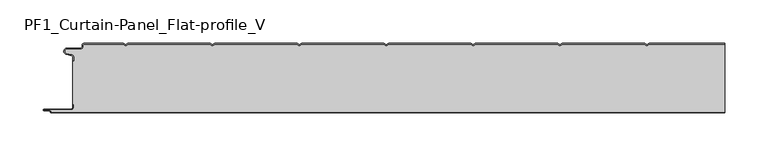
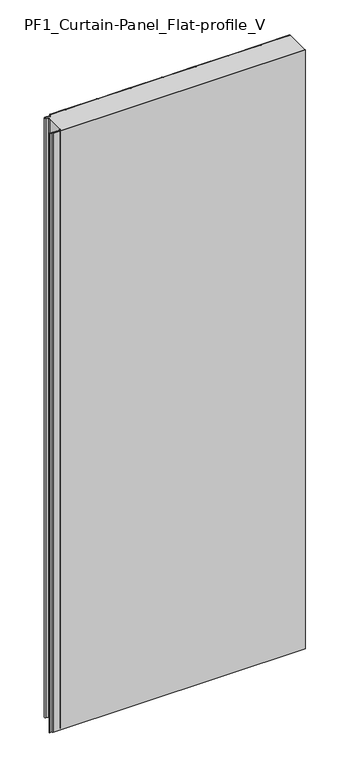
"""IFC4 building model written with IfcOpenShell, lengths in millimetres: plate geometry, PF1_Curtain-Panel_Flat-profile_V."""

import ifcopenshell
import ifcopenshell.guid

model = None  # the IFC model being written
_history = None  # IfcOwnerHistory: only IFC2X3 demands one
_inside = {}  # id of a spatial element -> (the spatial element, [elements in it])
_under = {}  # id of a project, library or spatial element -> (it, [spatial elements below it])
_declared = {}  # id of a project -> (the project, [libraries it declares])
_typed = {}  # id of a type object -> (the type object, [elements of that type])
_made_of = {}  # id of a material, layer set ... -> (it, [elements and type objects made of it])


def new_model(schema):
    """Start an empty IFC model of exactly this schema.

    Asked for "IFC4X3", IfcOpenShell would pick the latest addendum, in which some entities
    have other attributes; the version numbers below select the first issue.
    IFC2X3 requires an IfcOwnerHistory on every rooted entity: one is made here for all.
    """
    global model, _history
    if schema == "IFC4X3":
        model = ifcopenshell.file(schema_version=(4, 3, 0, 0))
    else:
        model = ifcopenshell.file(schema=schema)
    _inside.clear()
    _under.clear()
    _declared.clear()
    _typed.clear()
    _made_of.clear()
    _history = None
    if model.schema == "IFC2X3":
        org = make("IfcOrganization", Name="unknown")
        user = make(
            "IfcPersonAndOrganization",
            ThePerson=make("IfcPerson", FamilyName="unknown"),
            TheOrganization=org,
        )
        app = make(
            "IfcApplication",
            ApplicationDeveloper=org,
            Version="unknown",
            ApplicationFullName="unknown",
            ApplicationIdentifier="unknown",
        )
        _history = make(
            "IfcOwnerHistory",
            OwningUser=user,
            OwningApplication=app,
            ChangeAction="ADDED",
            CreationDate=0,
        )
    return model


def make(cls, **values):
    """One entity of the class cls with the attributes given. An attribute that is None is left unset."""
    return model.create_entity(
        cls, **{name: value for name, value in values.items() if value is not None}
    )


def rooted(cls, **values):
    """An entity with a GlobalId (a new one), such as an element, a storey or a relation."""
    return make(cls, GlobalId=ifcopenshell.guid.new(), OwnerHistory=_history, **values)


def si_unit(unit_type, name, prefix=None):
    """IfcSIUnit, for example si_unit("LENGTHUNIT", "METRE", prefix="MILLI")."""
    return make("IfcSIUnit", UnitType=unit_type, Prefix=prefix, Name=name)


def assignment(units):
    """IfcUnitAssignment: the units of a project."""
    return None if units is None else make("IfcUnitAssignment", Units=units)


def point(xyz):
    """IfcCartesianPoint."""
    return None if xyz is None else make("IfcCartesianPoint", Coordinates=xyz)


def direction(xyz):
    """IfcDirection."""
    return None if xyz is None else make("IfcDirection", DirectionRatios=xyz)


def frame(location, z_axis=None, x_axis=None):
    """IfcAxis2Placement3D, a coordinate frame: its origin and axes. An axis left out is left unset."""
    return make(
        "IfcAxis2Placement3D",
        Location=point(location),
        Axis=direction(z_axis),
        RefDirection=direction(x_axis),
    )


def frame_2d(location, x_axis=None):
    """IfcAxis2Placement2D, a coordinate frame in the plane: its origin and x axis."""
    return make(
        "IfcAxis2Placement2D", Location=point(location), RefDirection=direction(x_axis)
    )


def origin():
    """The frame at (0, 0, 0) with its axes left unset."""
    return frame((0.0, 0.0, 0.0))


def origin_with_axes():
    """The frame at (0, 0, 0) with the z axis (0, 0, 1) and the x axis (1, 0, 0) written out."""
    return frame((0.0, 0.0, 0.0), z_axis=(0.0, 0.0, 1.0), x_axis=(1.0, 0.0, 0.0))


def place(relative_to, where):
    """IfcLocalPlacement: puts the frame where relative to a parent placement (None: the world)."""
    return make(
        "IfcLocalPlacement", PlacementRelTo=relative_to, RelativePlacement=where
    )


def context(
    kind, dimensions, precision=None, world=None, true_north=None, identifier=None
):
    """IfcGeometricRepresentationContext, for example the 3D "Model" context."""
    return make(
        "IfcGeometricRepresentationContext",
        ContextIdentifier=identifier,
        ContextType=kind,
        CoordinateSpaceDimension=dimensions,
        Precision=precision,
        WorldCoordinateSystem=world,
        TrueNorth=true_north,
    )


def project(units=None, contexts=None):
    """IfcProject with its units and contexts."""
    return rooted(
        "IfcProject",
        Name="project",
        RepresentationContexts=contexts,
        UnitsInContext=assignment(units),
    )


def spatial(cls, under=None, at=None, **own):
    """A site, building, storey or space (cls), placed at a placement, below another one or the project."""
    s = rooted(cls, ObjectPlacement=at, **own)
    if under is not None:
        _under.setdefault(under.id(), (under, []))[1].append(s)
    return s


def polyline(points):
    """IfcPolyline through the points."""
    return make("IfcPolyline", Points=[point(p) for p in points])


def circle_curve(where, radius):
    """IfcCircle in the frame where."""
    return make("IfcCircle", Position=where, Radius=radius)


def trimmed(basis, trim1, trim2, sense, master):
    """IfcTrimmedCurve: the piece of a basis curve between two trims."""
    return make(
        "IfcTrimmedCurve",
        BasisCurve=basis,
        Trim1=trim1,
        Trim2=trim2,
        SenseAgreement=sense,
        MasterRepresentation=master,
    )


def segment(curve, same_sense, transition):
    """IfcCompositeCurveSegment."""
    return make(
        "IfcCompositeCurveSegment",
        Transition=transition,
        SameSense=same_sense,
        ParentCurve=curve,
    )


def composite_curve(segments, self_intersect=None):
    """IfcCompositeCurve: segments joined end to end."""
    return make("IfcCompositeCurve", Segments=segments, SelfIntersect=self_intersect)


def outline(outer, holes=None, kind="AREA"):
    """IfcArbitraryClosedProfileDef: a profile drawn as a closed curve; with holes, ...WithVoids."""
    if holes is None:
        return make("IfcArbitraryClosedProfileDef", ProfileType=kind, OuterCurve=outer)
    return make(
        "IfcArbitraryProfileDefWithVoids",
        ProfileType=kind,
        OuterCurve=outer,
        InnerCurves=holes,
    )


def extrude(swept, where, along, depth):
    """IfcExtrudedAreaSolid: the profile swept, set in the frame where, extruded along a direction by depth."""
    return make(
        "IfcExtrudedAreaSolid",
        SweptArea=swept,
        Position=where,
        ExtrudedDirection=direction(along),
        Depth=depth,
    )


def shape(context_of_items, identifier, shape_type, items):
    """IfcShapeRepresentation: the items that make up one representation, for example the "Body"."""
    return make(
        "IfcShapeRepresentation",
        ContextOfItems=context_of_items,
        RepresentationIdentifier=identifier,
        RepresentationType=shape_type,
        Items=items,
    )


def source(mapping_origin, context_of_items, identifier, shape_type, items):
    """IfcRepresentationMap: a shape defined once, which mapped items show again and again."""
    return make(
        "IfcRepresentationMap",
        MappingOrigin=mapping_origin,
        MappedRepresentation=shape(context_of_items, identifier, shape_type, items),
    )


def transform(
    local_origin,
    x_axis=None,
    y_axis=None,
    z_axis=None,
    scale=None,
    scale2=None,
    scale3=None,
    uniform=True,
):
    """IfcCartesianTransformationOperator3D, or its non-uniform kind. x_axis, y_axis, z_axis: its Axis1, 2, 3."""
    if uniform:
        return make(
            "IfcCartesianTransformationOperator3D",
            Axis1=direction(x_axis),
            Axis2=direction(y_axis),
            LocalOrigin=point(local_origin),
            Scale=scale,
            Axis3=direction(z_axis),
        )
    return make(
        "IfcCartesianTransformationOperator3DnonUniform",
        Axis1=direction(x_axis),
        Axis2=direction(y_axis),
        LocalOrigin=point(local_origin),
        Scale=scale,
        Axis3=direction(z_axis),
        Scale2=scale2,
        Scale3=scale3,
    )


def mapped(mapping_source, mapping_target):
    """IfcMappedItem: shows the shape of a source again, moved by a transform."""
    return make(
        "IfcMappedItem", MappingSource=mapping_source, MappingTarget=mapping_target
    )


def made_of(thing, what):
    """Note that an element or type object is made of a material, layer set ...; save() writes the relation."""
    if what is not None:
        _made_of.setdefault(what.id(), (what, []))[1].append(thing)
    return thing


def element(
    cls,
    number,
    at=None,
    inside=None,
    cuts=None,
    type_object=None,
    material=None,
    context=None,
    identifier="Body",
    shape_type=None,
    held_by="IfcProductDefinitionShape",
    body=None,
    shapes=None,
    **own,
):
    """One element of the class cls, such as IfcWall. Its Tag is "e" and its number.

    at: its placement. inside: the storey or other place that contains it. cuts: it is an
    opening in that element (IfcRelVoidsElement). A single representation is given by context,
    identifier, shape_type and body (its items); several are given by shapes. held_by: the class
    of the entity that holds the representations. save() writes the other relations.
    """
    e = rooted(cls, Tag="e%d" % number, ObjectPlacement=at, **own)
    if body is not None:
        shapes = [shape(context, identifier, shape_type, body)]
    if shapes is not None:
        e.Representation = make(held_by, Representations=shapes)
    if inside is not None:
        _inside.setdefault(inside.id(), (inside, []))[1].append(e)
    if cuts is not None:
        rooted(
            "IfcRelVoidsElement", RelatingBuildingElement=cuts, RelatedOpeningElement=e
        )
    if type_object is not None:
        _typed.setdefault(type_object.id(), (type_object, []))[1].append(e)
    return made_of(e, material)


def aggregate(whole, parts):
    """IfcRelAggregates: a whole, such as a stair, and the parts it consists of."""
    return rooted("IfcRelAggregates", RelatingObject=whole, RelatedObjects=parts)


def save(model, path):
    """Write the relations noted so far, then the file.

    IfcRelAggregates (storeys below a building ...), IfcRelContainedInSpatialStructure (elements
    in a storey), IfcRelDefinesByType, IfcRelAssociatesMaterial and IfcRelDeclares: one each for
    every whole, place, type object, material and project.
    """
    for whole, parts in _under.values():
        aggregate(whole, parts)
    for where, things in _inside.values():
        rooted(
            "IfcRelContainedInSpatialStructure",
            RelatedElements=things,
            RelatingStructure=where,
        )
    for kind, things in _typed.values():
        rooted("IfcRelDefinesByType", RelatedObjects=things, RelatingType=kind)
    for what, things in _made_of.values():
        rooted("IfcRelAssociatesMaterial", RelatedObjects=things, RelatingMaterial=what)
    for by, libraries in _declared.values():
        rooted("IfcRelDeclares", RelatingContext=by, RelatedDefinitions=libraries)
    model.write(path)


def pf1_curtain_panel_flat_profile_v_002003b8(model_context):
    return source(origin(), model_context, "Body", "SweptSolid", [
        extrude(outline(composite_curve([segment(trimmed(circle_curve(frame_2d((-377.0119739, -15.878557)), 2.0), [point((-375.0119739, -15.878557))], [point((-376.5620718, -13.9298169))], True, "CARTESIAN"), True, "CONTINUOUS"), segment(polyline([(-376.5620718, -13.9298169), (-382.7217978, -12.507732)]), True, "CONTINUOUS"), segment(trimmed(circle_curve(frame_2d((-381.9119739, -9.0)), 3.6), [point((-382.7217978, -12.507732))], [point((-381.9119739, -5.4))], False, "CARTESIAN"), True, "CONTINUOUS"), segment(polyline([(-381.9119739, -5.4), (-366.4119739, -5.4)]), True, "CONTINUOUS"), segment(trimmed(circle_curve(frame_2d((-366.4119739, -3.4)), 2.0), [point((-366.4119739, -5.4))], [point((-364.4119739, -3.4))], True, "CARTESIAN"), True, "CONTINUOUS"), segment(polyline([(-364.4119739, -3.4), (-364.4119739, -2.0)]), True, "CONTINUOUS"), segment(trimmed(circle_curve(frame_2d((-362.4119739, -2.0)), 2.0), [point((-364.4119739, -2.0))], [point((-362.4119739, 0.0))], False, "CARTESIAN"), True, "CONTINUOUS"), segment(polyline([(-362.4119739, 0.0), (-317.1119734, 0.0), (-314.4119739, -1.5588455), (-311.7119745, 0.0), (-217.1119734, 0.0), (-214.4119739, -1.5588455), (-211.7119745, 0.0), (-117.1119734, 0.0), (-114.4119739, -1.5588455), (-111.7119745, 0.0), (-17.1119734, 0.0), (-14.4119739, -1.5588455), (-11.7119745, 0.0), (82.8880266, 0.0), (85.5880261, -1.5588455), (88.2880255, 0.0), (182.8880266, 0.0), (185.5880261, -1.5588455), (188.2880255, 0.0), (282.8880266, 0.0), (285.5880261, -1.5588455), (288.2880255, 0.0), (375.0119739, 0.0), (375.0119739, -0.8), (288.5023849, -0.8), (285.5880261, -2.482606), (282.6736672, -0.8), (188.5023849, -0.8), (185.5880261, -2.482606), (182.6736672, -0.8), (88.5023849, -0.8), (85.5880261, -2.482606), (82.6736672, -0.8), (-11.4976151, -0.8), (-14.4119739, -2.482606), (-17.3263328, -0.8), (-111.4976151, -0.8), (-114.4119739, -2.482606), (-117.3263328, -0.8), (-211.4976151, -0.8), (-214.4119739, -2.482606), (-217.3263328, -0.8), (-311.4976151, -0.8), (-314.4119739, -2.482606), (-317.3263328, -0.8), (-362.4119739, -0.8)]), True, "CONTINUOUS"), segment(trimmed(circle_curve(frame_2d((-362.4119739, -2.0)), 1.2), [point((-362.4119739, -0.8))], [point((-363.6119739, -2.0))], True, "CARTESIAN"), True, "CONTINUOUS"), segment(polyline([(-363.6119739, -2.0), (-363.6119739, -3.4)]), True, "CONTINUOUS"), segment(trimmed(circle_curve(frame_2d((-366.4119739, -3.4)), 2.8), [point((-363.6119739, -3.4))], [point((-366.4119739, -6.2))], False, "CARTESIAN"), True, "CONTINUOUS"), segment(polyline([(-366.4119739, -6.2), (-381.9119739, -6.2)]), True, "CONTINUOUS"), segment(trimmed(circle_curve(frame_2d((-381.9119739, -9.0)), 2.8), [point((-381.9119739, -6.2))], [point((-382.541837, -11.7282362))], True, "CARTESIAN"), True, "CONTINUOUS"), segment(polyline([(-382.541837, -11.7282362), (-376.3821109, -13.150321)]), True, "CONTINUOUS"), segment(trimmed(circle_curve(frame_2d((-377.0119739, -15.878557)), 2.8), [point((-376.3821109, -13.150321))], [point((-374.2119739, -15.878557))], False, "CARTESIAN"), True, "CONTINUOUS"), segment(polyline([(-374.2119739, -15.878557), (-374.2119739, -20.0), (-375.0119739, -20.0), (-375.0119739, -15.878557)]), True, "CONTINUOUS")], self_intersect=False)), origin_with_axes(), (0.0, 0.0, 1.0), 1945.7507136),
        extrude(outline(composite_curve([segment(polyline([(-374.2119739, -70.0), (-375.0119739, -70.0), (-375.0119739, -20.0), (-374.2119739, -20.0), (-374.2119739, -15.878557)]), True, "CONTINUOUS"), segment(trimmed(circle_curve(frame_2d((-377.0119739, -15.878557)), 2.8), [point((-374.2119739, -15.878557))], [point((-376.3821109, -13.1503208))], True, "CARTESIAN"), True, "CONTINUOUS"), segment(polyline([(-376.3821109, -13.1503208), (-382.5418369, -11.7282362)]), True, "CONTINUOUS"), segment(trimmed(circle_curve(frame_2d((-381.9119739, -9.0)), 2.8), [point((-382.5418369, -11.7282362))], [point((-381.9119739, -6.2))], False, "CARTESIAN"), True, "CONTINUOUS"), segment(polyline([(-381.9119739, -6.2), (-366.4119739, -6.2)]), True, "CONTINUOUS"), segment(trimmed(circle_curve(frame_2d((-366.4119739, -3.4)), 2.8), [point((-366.4119739, -6.2))], [point((-363.6119739, -3.4))], True, "CARTESIAN"), True, "CONTINUOUS"), segment(polyline([(-363.6119739, -3.4), (-363.6119739, -2.0)]), True, "CONTINUOUS"), segment(trimmed(circle_curve(frame_2d((-362.4119739, -2.0)), 1.2), [point((-363.6119739, -2.0))], [point((-362.4119739, -0.8))], False, "CARTESIAN"), True, "CONTINUOUS"), segment(polyline([(-362.4119739, -0.8), (-317.3263328, -0.8), (-314.4119739, -2.482606), (-311.4976151, -0.8), (-217.3263328, -0.8), (-214.4119739, -2.482606), (-211.4976151, -0.8), (-117.3263328, -0.8), (-114.4119739, -2.482606), (-111.4976151, -0.8), (-17.3263328, -0.8), (-14.4119739, -2.482606), (-11.4976151, -0.8), (82.6736672, -0.8), (85.5880261, -2.482606), (88.5023849, -0.8), (182.6736672, -0.8), (185.5880261, -2.482606), (188.5023849, -0.8), (282.6736672, -0.8), (285.5880261, -2.482606), (288.5023849, -0.8), (375.0119739, -0.8), (375.0119739, -79.2), (-399.4119739, -79.2)]), True, "CONTINUOUS"), segment(trimmed(circle_curve(frame_2d((-399.4119739, -78.4)), 0.8), [point((-399.4119739, -79.2))], [point((-400.2119739, -78.4))], False, "CARTESIAN"), True, "CONTINUOUS"), segment(trimmed(circle_curve(frame_2d((-401.9119739, -78.6133333)), 1.7133333), [point((-400.2119739, -78.4))], [point((-401.9119739, -76.9))], True, "CARTESIAN"), True, "CONTINUOUS"), segment(polyline([(-401.9119739, -76.9), (-407.8820051, -76.9)]), True, "CONTINUOUS"), segment(trimmed(circle_curve(frame_2d((-407.8820051, -76.6)), 0.3), [point((-407.8820051, -76.9))], [point((-407.8820051, -76.3))], False, "CARTESIAN"), True, "CONTINUOUS"), segment(polyline([(-407.8820051, -76.3), (-377.0119739, -76.3)]), True, "CONTINUOUS"), segment(trimmed(circle_curve(frame_2d((-377.0119739, -73.5)), 2.8), [point((-377.0119739, -76.3))], [point((-374.2119739, -73.5))], True, "CARTESIAN"), True, "CONTINUOUS"), segment(polyline([(-374.2119739, -73.5), (-374.2119739, -70.0)]), True, "CONTINUOUS")], self_intersect=False)), origin_with_axes(), (0.0, 0.0, 1.0), 1945.7507136),
        extrude(outline(composite_curve([segment(polyline([(-375.0119739, -70.0), (-374.2119739, -70.0), (-374.2119739, -73.5)]), True, "CONTINUOUS"), segment(trimmed(circle_curve(frame_2d((-377.0119739, -73.5)), 2.8), [point((-374.2119739, -73.5))], [point((-377.0119739, -76.3))], False, "CARTESIAN"), True, "CONTINUOUS"), segment(polyline([(-377.0119739, -76.3), (-407.8820051, -76.3)]), True, "CONTINUOUS"), segment(trimmed(circle_curve(frame_2d((-407.8820051, -76.6)), 0.3), [point((-407.8820051, -76.3))], [point((-407.8820051, -76.9))], True, "CARTESIAN"), True, "CONTINUOUS"), segment(polyline([(-407.8820051, -76.9), (-401.9119739, -76.9)]), True, "CONTINUOUS"), segment(trimmed(circle_curve(frame_2d((-401.9119739, -78.6133333)), 1.7133333), [point((-401.9119739, -76.9))], [point((-400.2119739, -78.4))], False, "CARTESIAN"), True, "CONTINUOUS"), segment(trimmed(circle_curve(frame_2d((-399.4119739, -78.4)), 0.8), [point((-400.2119739, -78.4))], [point((-399.4119739, -79.2))], True, "CARTESIAN"), True, "CONTINUOUS"), segment(polyline([(-399.4119739, -79.2), (375.0119739, -79.2), (375.0119739, -80.0), (-399.4119739, -80.0)]), True, "CONTINUOUS"), segment(trimmed(circle_curve(frame_2d((-399.4119739, -78.4)), 1.6), [point((-399.4119739, -80.0))], [point((-401.0119739, -78.4))], False, "CARTESIAN"), True, "CONTINUOUS"), segment(trimmed(circle_curve(frame_2d((-401.9119739, -78.4)), 0.9), [point((-401.0119739, -78.4))], [point((-401.9119739, -77.5))], True, "CARTESIAN"), True, "CONTINUOUS"), segment(polyline([(-401.9119739, -77.5), (-408.0119739, -77.5)]), True, "CONTINUOUS"), segment(trimmed(circle_curve(frame_2d((-408.0119739, -76.5)), 1.0), [point((-408.0119739, -77.5))], [point((-408.0119739, -75.5))], False, "CARTESIAN"), True, "CONTINUOUS"), segment(polyline([(-408.0119739, -75.5), (-377.0119739, -75.5)]), True, "CONTINUOUS"), segment(trimmed(circle_curve(frame_2d((-377.0119739, -73.5)), 2.0), [point((-377.0119739, -75.5))], [point((-375.0119739, -73.5))], True, "CARTESIAN"), True, "CONTINUOUS"), segment(polyline([(-375.0119739, -73.5), (-375.0119739, -70.0)]), True, "CONTINUOUS")], self_intersect=False)), origin_with_axes(), (0.0, 0.0, 1.0), 1945.7507136),
    ])


if __name__ == "__main__":
    model = new_model("IFC4")
    model_context = context("Model", 3, world=origin())
    ifc_project = project(units=[si_unit("LENGTHUNIT", "METRE", prefix="MILLI")], contexts=[model_context])
    site = spatial("IfcSite", under=ifc_project)
    building = spatial("IfcBuilding", under=site)
    placement = place(None, origin())
    pf1_curtain_panel_flat_profile_v_shape = pf1_curtain_panel_flat_profile_v_002003b8(model_context)
    element("IfcPlate", 1, ObjectType="PF1_Curtain-Panel_Flat-profile_V", at=placement, inside=building, context=model_context, shape_type="MappedRepresentation", body=[
        mapped(pf1_curtain_panel_flat_profile_v_shape, transform((0.0, 0.0, 0.0), x_axis=(1.0, 0.0, 0.0), y_axis=(0.0, 1.0, 0.0), z_axis=(0.0, 0.0, 1.0))),
    ])
    save(model, "model.ifc")
